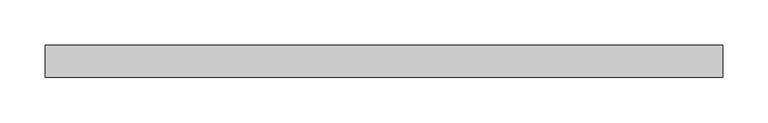
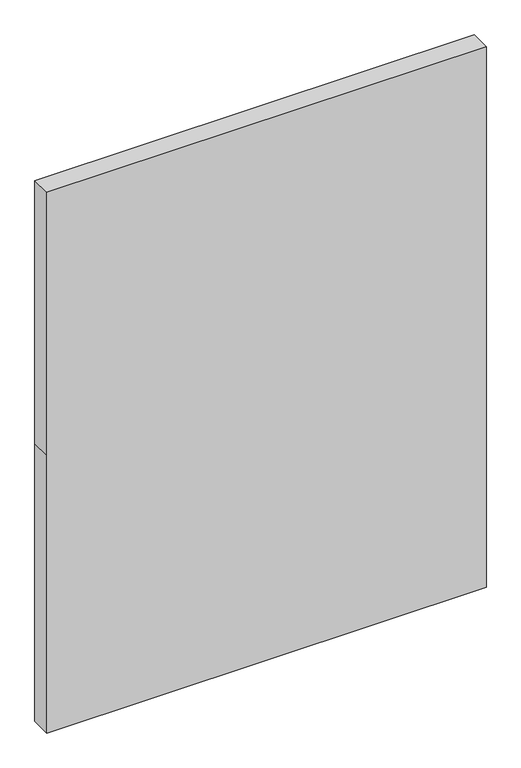
"""IFC4 building model written with IfcOpenShell, lengths in millimetres: plate geometry."""

from ifc_helpers import new_model, si_unit, frame, origin, place, context, project, spatial, polyline, outline, extrude, source, transform, mapped, element, save


def plate_917c597d(model_context):
    return source(origin(), model_context, "Body", "SweptSolid", [
        extrude(outline(polyline([(0.0, -372.1458333), (0.0, 372.1458333), (496.90625, 372.1458333), (967.625, 372.1458333), (967.625, -372.1458333), (496.90625, -372.1458333), (0.0, -372.1458333)])), frame((0.0, -17.5, 0.0), z_axis=(0.0, 1.0, 0.0), x_axis=(0.0, 0.0, 1.0)), (0.0, 0.0, 1.0), 35.0),
    ])


if __name__ == "__main__":
    model = new_model("IFC4")
    model_context = context("Model", 3, world=origin())
    ifc_project = project(units=[si_unit("LENGTHUNIT", "METRE", prefix="MILLI")], contexts=[model_context])
    site = spatial("IfcSite", under=ifc_project)
    building = spatial("IfcBuilding", under=site)
    placement = place(None, origin())
    plate_shape = plate_917c597d(model_context)
    element("IfcPlate", 1, at=placement, inside=building, context=model_context, shape_type="MappedRepresentation", body=[
        mapped(plate_shape, transform((0.0, 0.0, 0.0), x_axis=(1.0, 0.0, 0.0), y_axis=(0.0, 1.0, 0.0), z_axis=(0.0, 0.0, 1.0))),
    ])
    save(model, "model.ifc")
